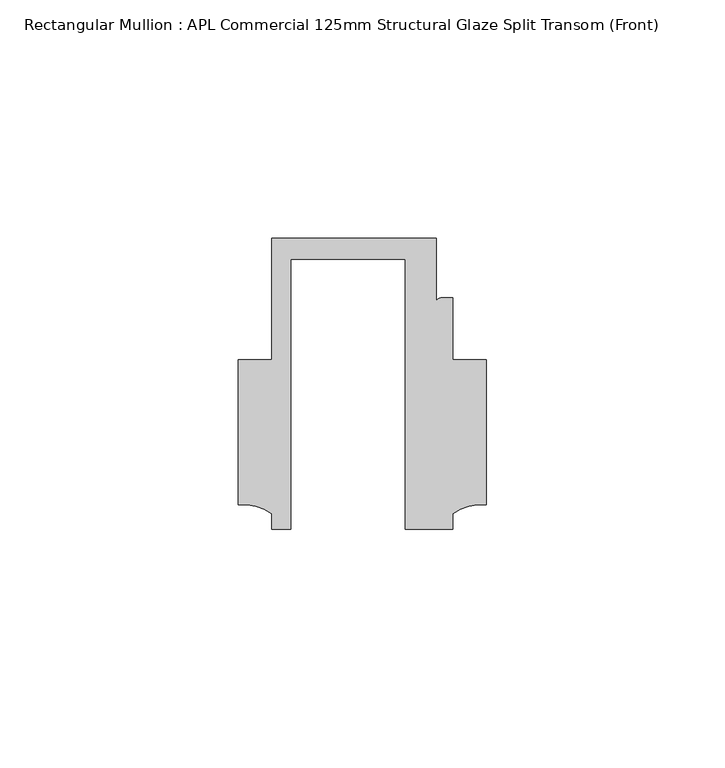
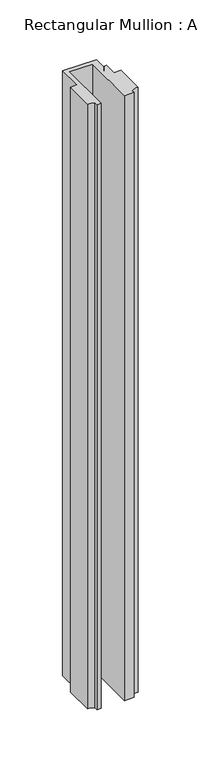
"""IFC4 building model written with IfcOpenShell, lengths in millimetres: member geometry, Rectangular Mullion : APL Commercial 125mm Structural Glaze Split Transom (Front)."""

from ifc_helpers import new_model, si_unit, point, frame, frame_2d, origin, place, context, project, spatial, polyline, circle_curve, trimmed, segment, composite_curve, outline, extrude, source, transform, mapped, element, save


def rectangular_mullion_apl_commercial_125mm_structural_glaze_aec00f15(model_context):
    return source(origin(), model_context, "Body", "SweptSolid", [
        extrude(outline(composite_curve([segment(polyline([(-24.0309529, -20.5), (-28.0000482, -20.5), (-28.0000482, -17.3123419)]), True, "CONTINUOUS"), segment(trimmed(circle_curve(frame_2d((-34.10985, -25.7980019)), 10.4563907), [point((-28.0000482, -17.3123419))], [point((-34.9999873, -15.3795682))], True, "CARTESIAN"), True, "CONTINUOUS"), segment(polyline([(-34.9999873, -15.3795682), (-34.9999873, 15.001276), (-28.0000482, 15.001276), (-28.0000482, 40.499932), (6.5000029, 40.499932), (6.5000029, 27.0002131)]), True, "CONTINUOUS"), segment(trimmed(circle_curve(frame_2d((7.5000029, 27.0002131)), 1.0), [point((6.5000029, 27.0002131))], [point((7.5000029, 28.0002131))], False, "CARTESIAN"), True, "CONTINUOUS"), segment(polyline([(7.5000029, 28.0002131), (10.0000029, 28.0002131), (10.0000029, 15.0004617), (16.999942, 15.0004617), (16.999942, -15.3793686)]), True, "CONTINUOUS"), segment(trimmed(circle_curve(frame_2d((16.1098048, -25.7978024)), 10.4563907), [point((16.999942, -15.3793686))], [point((10.0000029, -17.3121423))], True, "CARTESIAN"), True, "CONTINUOUS"), segment(polyline([(10.0000029, -17.3121423), (10.0000029, -20.5), (0.0, -20.5), (0.0, 36.1008577), (-24.0309529, 36.1008577), (-24.0309529, -20.5)]), True, "CONTINUOUS")], self_intersect=False)), frame((0.0, 0.0, -657.1423128), z_axis=(0.0, 0.0, 1.0), x_axis=(1.0, 0.0, 0.0)), (0.0, 0.0, 1.0), 657.1423128),
    ])


if __name__ == "__main__":
    model = new_model("IFC4")
    model_context = context("Model", 3, world=origin())
    ifc_project = project(units=[si_unit("LENGTHUNIT", "METRE", prefix="MILLI")], contexts=[model_context])
    site = spatial("IfcSite", under=ifc_project)
    building = spatial("IfcBuilding", under=site)
    placement = place(None, origin())
    rectangular_mullion_apl_commercial_125mm_structural_glaze_shape = rectangular_mullion_apl_commercial_125mm_structural_glaze_aec00f15(model_context)
    element("IfcMember", 1, ObjectType="Rectangular Mullion : APL Commercial 125mm Structural Glaze Split Transom (Front)", at=placement, inside=building, context=model_context, shape_type="MappedRepresentation", body=[
        mapped(rectangular_mullion_apl_commercial_125mm_structural_glaze_shape, transform((0.0, 0.0, 0.0), x_axis=(1.0, 0.0, 0.0), y_axis=(0.0, 1.0, 0.0), z_axis=(0.0, 0.0, 1.0))),
    ])
    save(model, "model.ifc")
